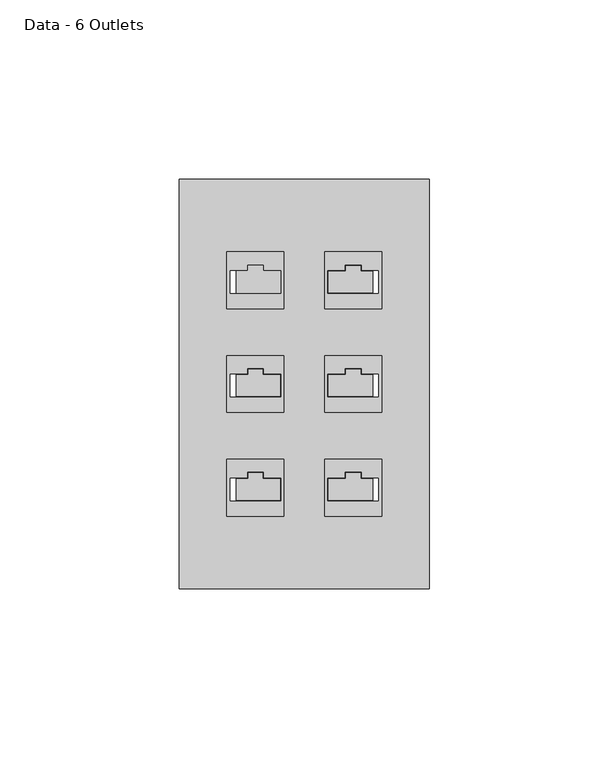
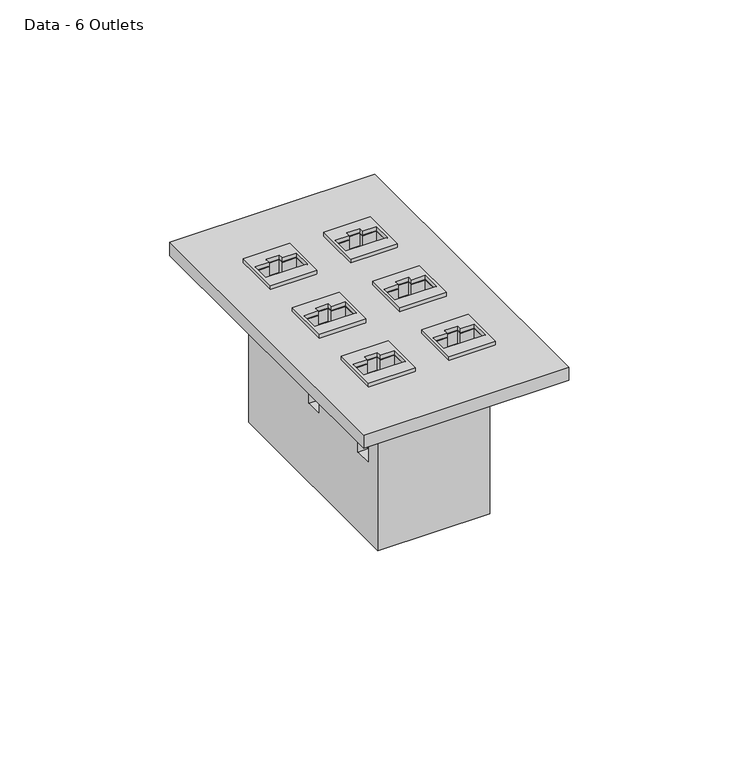
"""IFC4 building model written with IfcOpenShell, lengths in millimetres: electric appliance geometry, Data - 6 Outlets."""

from ifc_helpers import new_model, si_unit, frame, origin, origin_with_axes, place, context, project, spatial, polyline, outline, extrude, faceted_brep, source, transform, mapped, element, save


def data_6_outlets_06024a50(model_context):
    return source(origin(), model_context, "Body", "SolidModel", [
        faceted_brep([(6.5887405, 31.5943927, -25.6475168), (11.4485466, 31.5943927, -25.6475168), (11.4485466, 31.5943927, 0.0), (6.5887405, 31.5943927, 0.0), (11.4485466, 33.1818927, -25.6475168), (11.4485466, 33.1818927, 0.0), (15.8337141, 33.1818927, -25.6475168), (15.8337141, 33.1818927, 0.0), (15.8337141, 31.5943927, -25.6475168), (15.8337141, 31.5943927, 0.0), (19.05, 31.5943927, -25.6475168), (19.05, 31.5943927, 0.0), (19.05, 25.2900552, -25.6475168), (6.5887405, 25.2900552, -25.6475168), (6.5887405, 25.2900552, 0.0), (19.05, 25.2900552, 0.0), (-11.4485466, 2.6725887, -25.6475168), (-6.5887405, 2.6725887, -25.6475168), (-6.5887405, 2.6725887, 0.0), (-11.4485466, 2.6725887, 0.0), (-11.4485466, 4.2600887, -25.6475168), (-11.4485466, 4.2600887, 0.0), (-15.8337141, 4.2600887, -25.6475168), (-15.8337141, 4.2600887, 0.0), (-15.8337141, 2.6725887, -25.6475168), (-15.8337141, 2.6725887, 0.0), (-19.05, 2.6725887, -25.6475168), (-19.05, 2.6725887, 0.0), (-6.5887405, -3.6317489, -25.6475168), (-19.05, -3.6317489, -25.6475168), (-19.05, -3.6317489, 0.0), (-6.5887405, -3.6317489, 0.0), (6.5887405, -3.6317489, -25.6475168), (6.5887405, 2.6725887, -25.6475168), (6.5887405, 2.6725887, 0.0), (6.5887405, -3.6317489, 0.0), (19.05, -3.6317489, -25.6475168), (19.05, -3.6317489, 0.0), (15.8337141, 2.6725887, -25.6475168), (19.05, 2.6725887, -25.6475168), (19.05, 2.6725887, 0.0), (15.8337141, 2.6725887, 0.0), (15.8337141, 4.2600887, -25.6475168), (15.8337141, 4.2600887, 0.0), (11.4485466, 4.2600887, -25.6475168), (11.4485466, 4.2600887, 0.0), (11.4485466, 2.6725887, -25.6475168), (11.4485466, 2.6725887, 0.0), (-11.4485466, -26.2492154, -25.6475168), (-6.5887405, -26.2492154, -25.6475168), (-6.5887405, -26.2492154, 0.0), (-11.4485466, -26.2492154, 0.0), (-11.4485466, -24.6617154, -25.6475168), (-11.4485466, -24.6617154, 0.0), (-15.8337141, -24.6617154, -25.6475168), (-15.8337141, -24.6617154, 0.0), (-15.8337141, -26.2492154, -25.6475168), (-15.8337141, -26.2492154, 0.0), (-19.05, -26.2492154, -25.6475168), (-19.05, -26.2492154, 0.0), (-6.5887405, -32.5535529, -25.6475168), (-19.05, -32.5535529, -25.6475168), (-19.05, -32.5535529, 0.0), (-6.5887405, -32.5535529, 0.0), (6.5887405, -32.5535529, -25.6475168), (6.5887405, -26.2492154, -25.6475168), (6.5887405, -26.2492154, 0.0), (6.5887405, -32.5535529, 0.0), (19.05, -32.5535529, -25.6475168), (19.05, -32.5535529, 0.0), (15.8337141, -26.2492154, -25.6475168), (19.05, -26.2492154, -25.6475168), (19.05, -26.2492154, 0.0), (15.8337141, -26.2492154, 0.0), (15.8337141, -24.6617154, -25.6475168), (15.8337141, -24.6617154, 0.0), (11.4485466, -24.6617154, -25.6475168), (11.4485466, -24.6617154, 0.0), (11.4485466, -26.2492154, -25.6475168), (11.4485466, -26.2492154, 0.0), (19.05, 38.1, 0.0), (-19.05, 38.1, 0.0), (-19.05, -38.1, 0.0), (19.05, -38.1, 0.0), (19.05, 38.1, -53.975), (19.05, -38.1, -53.975), (-19.05, -38.1, -53.975), (-19.05, 38.1, -53.975)], [[[0, 1, 2, 3]], [[1, 4, 5, 2]], [[4, 6, 7, 5]], [[6, 8, 9, 7]], [[8, 10, 11, 9]], [[12, 13, 14, 15]], [[13, 0, 3, 14]], [[16, 17, 18, 19]], [[20, 16, 19, 21]], [[22, 20, 21, 23]], [[24, 22, 23, 25]], [[26, 24, 25, 27]], [[28, 29, 30, 31]], [[17, 28, 31, 18]], [[32, 33, 34, 35]], [[36, 32, 35, 37]], [[38, 39, 40, 41]], [[42, 38, 41, 43]], [[44, 42, 43, 45]], [[46, 44, 45, 47]], [[33, 46, 47, 34]], [[48, 49, 50, 51]], [[52, 48, 51, 53]], [[54, 52, 53, 55]], [[56, 54, 55, 57]], [[58, 56, 57, 59]], [[60, 61, 62, 63]], [[49, 60, 63, 50]], [[64, 65, 66, 67]], [[68, 64, 67, 69]], [[70, 71, 72, 73]], [[74, 70, 73, 75]], [[76, 74, 75, 77]], [[78, 76, 77, 79]], [[65, 78, 79, 66]], [[80, 81, 27, 25, 23, 21, 19, 18, 31, 30, 59, 57, 55, 53, 51, 50, 63, 62, 82, 83, 69, 67, 66, 79, 77, 75, 73, 72, 37, 35, 34, 47, 45, 43, 41, 40, 15, 14, 3, 2, 5, 7, 9, 11]], [[84, 85, 86, 87]], [[81, 80, 84, 87]], [[87, 86, 82, 62, 61, 58, 59, 30, 29, 26, 27, 81]], [[83, 82, 86, 85]], [[85, 84, 80, 11, 10, 12, 15, 40, 39, 36, 37, 72, 71, 68, 69, 83]], [[0, 13, 12, 10, 8, 6, 4, 1]], [[17, 16, 20, 22, 24, 26, 29, 28]], [[33, 32, 36, 39, 38, 42, 44, 46]], [[49, 48, 52, 54, 56, 58, 61, 60]], [[65, 64, 68, 71, 70, 74, 76, 78]]]),
        extrude(outline(polyline([(34.925, 57.15), (34.925, -57.15), (-34.925, -57.15), (-34.925, 57.15), (34.925, 57.15)]), holes=[polyline([(-6.5887405, 31.5943927), (-11.4485466, 31.5943927), (-11.4485466, 33.1818927), (-15.8337141, 33.1818927), (-15.8337141, 31.5943927), (-20.6336946, 31.5943927), (-20.6336946, 25.2900552), (-6.5887405, 25.2900552), (-6.5887405, 31.5943927)]), polyline([(11.4485466, 31.5943927), (6.5887405, 31.5943927), (6.5887405, 25.2900552), (20.6336946, 25.2900552), (20.6336946, 31.5943927), (15.8337141, 31.5943927), (15.8337141, 33.1818927), (11.4485466, 33.1818927), (11.4485466, 31.5943927)]), polyline([(-6.5887405, 2.6725887), (-11.4485466, 2.6725887), (-11.4485466, 4.2600887), (-15.8337141, 4.2600887), (-15.8337141, 2.6725887), (-20.6336946, 2.6725887), (-20.6336946, -3.6317489), (-6.5887405, -3.6317489), (-6.5887405, 2.6725887)]), polyline([(6.5887405, 2.6725887), (6.5887405, -3.6317489), (20.6336946, -3.6317489), (20.6336946, 2.6725887), (15.8337141, 2.6725887), (15.8337141, 4.2600887), (11.4485466, 4.2600887), (11.4485466, 2.6725887), (6.5887405, 2.6725887)]), polyline([(-6.5887405, -26.2492154), (-11.4485466, -26.2492154), (-11.4485466, -24.6617154), (-15.8337141, -24.6617154), (-15.8337141, -26.2492154), (-20.6336946, -26.2492154), (-20.6336946, -32.5535529), (-6.5887405, -32.5535529), (-6.5887405, -26.2492154)]), polyline([(6.5887405, -26.2492154), (6.5887405, -32.5535529), (20.6336946, -32.5535529), (20.6336946, -26.2492154), (15.8337141, -26.2492154), (15.8337141, -24.6617154), (11.4485466, -24.6617154), (11.4485466, -26.2492154), (6.5887405, -26.2492154)])]), origin_with_axes(), (0.0, 0.0, 1.0), 4.7625),
        extrude(outline(polyline([(21.6013392, -20.984304), (21.6013392, -36.859304), (5.7263392, -36.859304), (5.7263392, -20.984304), (21.6013392, -20.984304)]), holes=[polyline([(6.5887405, -26.2492154), (6.5887405, -32.5535529), (20.6336946, -32.5535529), (20.6336946, -26.2492154), (15.8337141, -26.2492154), (15.8337141, -24.6617154), (11.4485466, -24.6617154), (11.4485466, -26.2492154), (6.5887405, -26.2492154)])]), frame((0.0, 0.0, 0.1002738), z_axis=(0.0, 0.0, 1.0), x_axis=(1.0, 0.0, 0.0)), (0.0, 0.0, 1.0), 6.35),
        extrude(outline(polyline([(-21.6013392, -20.984304), (-5.7263392, -20.984304), (-5.7263392, -36.859304), (-21.6013392, -36.859304), (-21.6013392, -20.984304)]), holes=[polyline([(-6.5887405, -26.2492154), (-11.4485466, -26.2492154), (-11.4485466, -24.6617154), (-15.8337141, -24.6617154), (-15.8337141, -26.2492154), (-20.6336946, -26.2492154), (-20.6336946, -32.5535529), (-6.5887405, -32.5535529), (-6.5887405, -26.2492154)])]), frame((0.0, 0.0, 0.1002738), z_axis=(0.0, 0.0, 1.0), x_axis=(1.0, 0.0, 0.0)), (0.0, 0.0, 1.0), 6.35),
        extrude(outline(polyline([(21.6013392, 7.9375), (21.6013392, -7.9375), (5.7263392, -7.9375), (5.7263392, 7.9375), (21.6013392, 7.9375)]), holes=[polyline([(6.5887405, 2.6725887), (6.5887405, -3.6317489), (20.6336946, -3.6317489), (20.6336946, 2.6725887), (15.8337141, 2.6725887), (15.8337141, 4.2600887), (11.4485466, 4.2600887), (11.4485466, 2.6725887), (6.5887405, 2.6725887)])]), frame((0.0, 0.0, 0.1002738), z_axis=(0.0, 0.0, 1.0), x_axis=(1.0, 0.0, 0.0)), (0.0, 0.0, 1.0), 6.35),
        extrude(outline(polyline([(-21.6013392, 7.9375), (-5.7263392, 7.9375), (-5.7263392, -7.9375), (-21.6013392, -7.9375), (-21.6013392, 7.9375)]), holes=[polyline([(-6.5887405, 2.6725887), (-11.4485466, 2.6725887), (-11.4485466, 4.2600887), (-15.8337141, 4.2600887), (-15.8337141, 2.6725887), (-20.6336946, 2.6725887), (-20.6336946, -3.6317489), (-6.5887405, -3.6317489), (-6.5887405, 2.6725887)])]), frame((0.0, 0.0, 0.1002738), z_axis=(0.0, 0.0, 1.0), x_axis=(1.0, 0.0, 0.0)), (0.0, 0.0, 1.0), 6.35),
        extrude(outline(polyline([(21.6013392, 36.859304), (21.6013392, 20.984304), (5.7263392, 20.984304), (5.7263392, 36.859304), (21.6013392, 36.859304)]), holes=[polyline([(11.4485466, 31.5943927), (6.5887405, 31.5943927), (6.5887405, 25.2900552), (20.6336946, 25.2900552), (20.6336946, 31.5943927), (15.8337141, 31.5943927), (15.8337141, 33.1818927), (11.4485466, 33.1818927), (11.4485466, 31.5943927)])]), frame((0.0, 0.0, 0.1002738), z_axis=(0.0, 0.0, 1.0), x_axis=(1.0, 0.0, 0.0)), (0.0, 0.0, 1.0), 6.35),
        extrude(outline(polyline([(-21.6013392, 36.859304), (-5.7263392, 36.859304), (-5.7263392, 20.984304), (-21.6013392, 20.984304), (-21.6013392, 36.859304)]), holes=[polyline([(-6.5887405, 31.5943927), (-11.4485466, 31.5943927), (-11.4485466, 33.1818927), (-15.8337141, 33.1818927), (-15.8337141, 31.5943927), (-20.6336946, 31.5943927), (-20.6336946, 25.2900552), (-6.5887405, 25.2900552), (-6.5887405, 31.5943927)])]), frame((0.0, 0.0, 0.1002738), z_axis=(0.0, 0.0, 1.0), x_axis=(1.0, 0.0, 0.0)), (0.0, 0.0, 1.0), 6.35),
    ])


if __name__ == "__main__":
    model = new_model("IFC4")
    model_context = context("Model", 3, world=origin())
    ifc_project = project(units=[si_unit("LENGTHUNIT", "METRE", prefix="MILLI")], contexts=[model_context])
    site = spatial("IfcSite", under=ifc_project)
    building = spatial("IfcBuilding", under=site)
    placement = place(None, origin())
    data_6_outlets_shape = data_6_outlets_06024a50(model_context)
    element("IfcElectricAppliance", 1, ObjectType="Data - 6 Outlets", at=placement, inside=building, context=model_context, shape_type="MappedRepresentation", body=[
        mapped(data_6_outlets_shape, transform((0.0, 0.0, 0.0), x_axis=(1.0, 0.0, 0.0), y_axis=(0.0, 1.0, 0.0), z_axis=(0.0, 0.0, 1.0))),
    ])
    save(model, "model.ifc")
